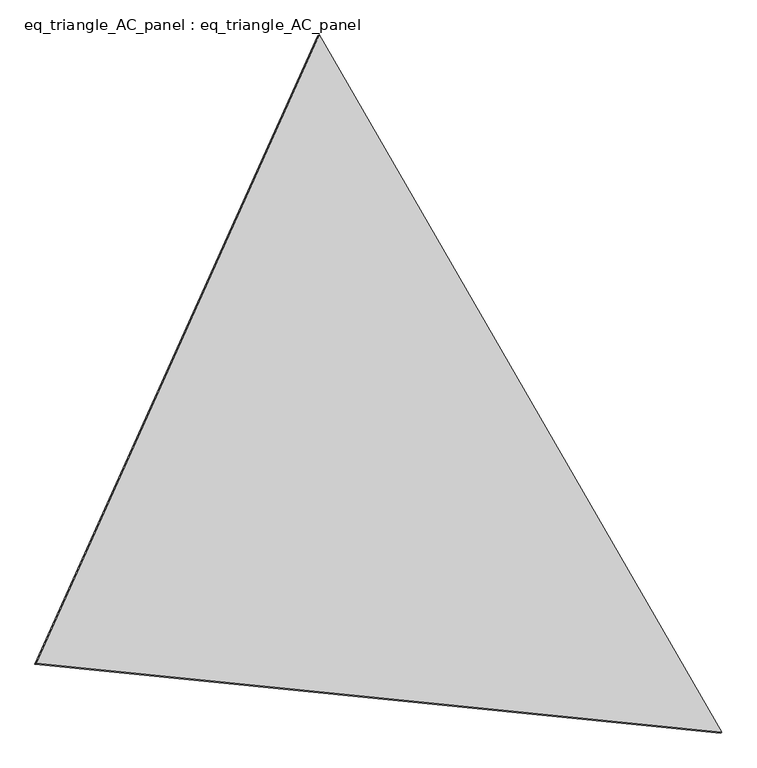
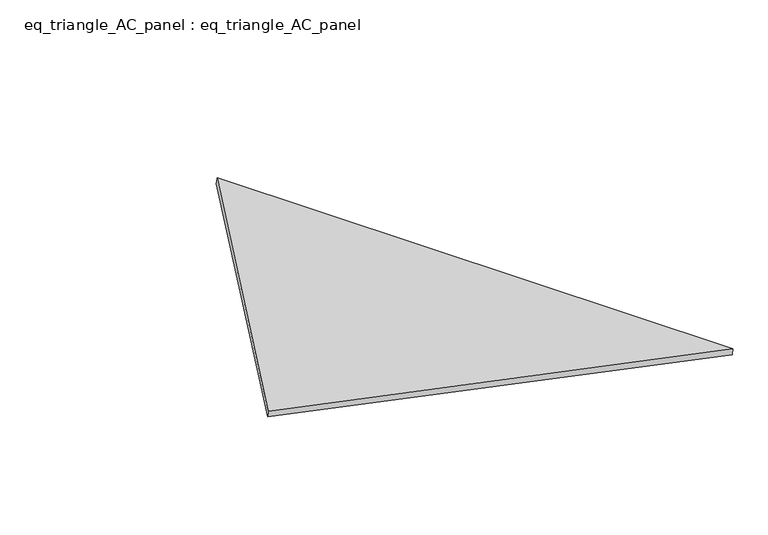
"""IFC4 building model written with IfcOpenShell, lengths in millimetres: proxy geometry, eq_triangle_AC_panel : eq_triangle_AC_panel."""

from ifc_helpers import new_model, si_unit, frame, origin, place, context, project, spatial, polyline, outline, extrude, source, transform, mapped, element, save


def eq_triangle_ac_panel_eq_triangle_ac_panel_12de5648(model_context):
    return source(origin(), model_context, "Body", "SweptSolid", [
        extrude(outline(polyline([(-2017.7414327, 947.6217303), (2017.7134507, 947.6217304), (0.0279819, -1895.2434607), (-2017.7414327, 947.6217303)])), frame((0.0038051, 527.9290861, 89.8240019), z_axis=(0.14526328518064174, 0.08386570281791807, 0.9858321976225894), x_axis=(0.4999901646168027, -0.8660310821711042, 9.281315359721244e-08)), (0.0, 0.0, 1.0), 43.8306294),
    ])


if __name__ == "__main__":
    model = new_model("IFC4")
    model_context = context("Model", 3, world=origin())
    ifc_project = project(units=[si_unit("LENGTHUNIT", "METRE", prefix="MILLI")], contexts=[model_context])
    site = spatial("IfcSite", under=ifc_project)
    building = spatial("IfcBuilding", under=site)
    placement = place(None, origin())
    eq_triangle_ac_panel_eq_triangle_ac_panel_shape = eq_triangle_ac_panel_eq_triangle_ac_panel_12de5648(model_context)
    element("IfcBuildingElementProxy", 1, Name="eq_triangle_AC_panel : eq_triangle_AC_panel", ObjectType="eq_triangle_AC_panel : eq_triangle_AC_panel", at=placement, inside=building, context=model_context, shape_type="MappedRepresentation", body=[
        mapped(eq_triangle_ac_panel_eq_triangle_ac_panel_shape, transform((0.0, 0.0, 0.0), x_axis=(1.0, 0.0, 0.0), y_axis=(0.0, 1.0, 0.0), z_axis=(0.0, 0.0, 1.0))),
    ])
    save(model, "model.ifc")
